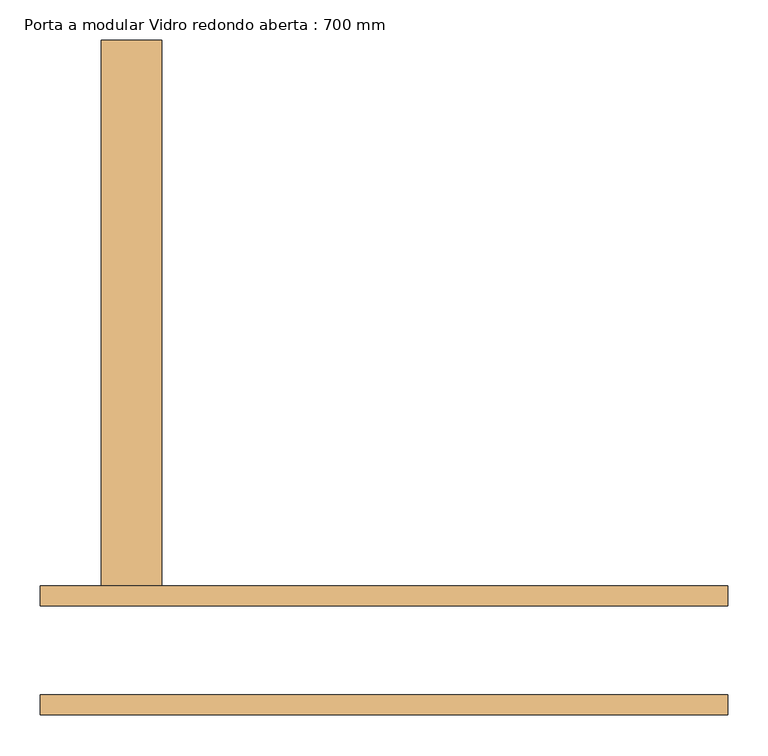
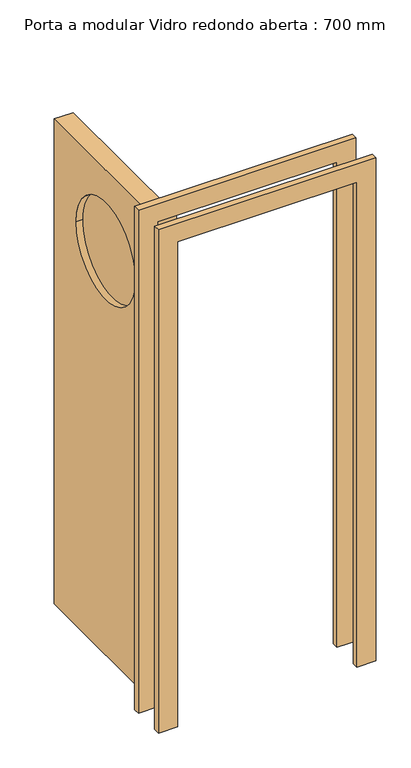
"""IFC4 building model written with IfcOpenShell, lengths in millimetres: door geometry, Porta a modular Vidro redondo aberta : 700 mm."""

from ifc_helpers import new_model, si_unit, point, frame, frame_2d, origin, place, context, project, spatial, polyline, circle_curve, trimmed, segment, composite_curve, outline, extrude, source, transform, mapped, element, save


def porta_a_modular_vidro_redondo_aberta_700_mm_20d5d4b5(model_context):
    return source(origin(), model_context, "Body", "SweptSolid", [
        extrude(outline(polyline([(2000.0, -350.0), (2000.0, 350.0), (0.0, 350.0), (0.0, 425.0), (2075.0, 425.0), (2075.0, -425.0), (0.0, -425.0), (0.0, -350.0), (2000.0, -350.0)])), frame((0.0, 55.0, 0.0), z_axis=(0.0, 1.0, 0.0), x_axis=(0.0, 0.0, 1.0)), (0.0, 0.0, 1.0), 25.0),
        extrude(outline(polyline([(2075.0, -425.0), (0.0, -425.0), (0.0, -350.0), (2000.0, -350.0), (2000.0, 350.0), (0.0, 350.0), (0.0, 425.0), (2075.0, 425.0), (2075.0, -425.0)])), frame((0.0, -80.0, 0.0), z_axis=(0.0, 1.0, 0.0), x_axis=(0.0, 0.0, 1.0)), (0.0, 0.0, 1.0), 25.0),
        extrude(outline(polyline([(55.0, 2000.0), (755.0, 2000.0), (755.0, 0.0), (55.0, 0.0), (55.0, 2000.0)]), holes=[composite_curve([segment(trimmed(circle_curve(frame_2d((405.0, 1666.6666667)), 200.0), [point((205.0, 1666.6666667))], [point((605.0, 1666.6666667))], True, "CARTESIAN"), True, "CONTINUOUS"), segment(trimmed(circle_curve(frame_2d((405.0, 1666.6666667)), 200.0), [point((605.0, 1666.6666667))], [point((205.0, 1666.6666667))], True, "CARTESIAN"), True, "CONTINUOUS")], self_intersect=False)]), frame((-350.0, 0.0, 0.0), z_axis=(1.0, 0.0, 0.0), x_axis=(0.0, 1.0, 0.0)), (0.0, 0.0, 1.0), 75.0),
        extrude(outline(composite_curve([segment(trimmed(circle_curve(frame_2d((405.0, 1666.6666667)), 200.0), [point((205.0, 1666.6666667))], [point((605.0, 1666.6666667))], False, "CARTESIAN"), True, "CONTINUOUS"), segment(trimmed(circle_curve(frame_2d((405.0, 1666.6666667)), 200.0), [point((605.0, 1666.6666667))], [point((205.0, 1666.6666667))], False, "CARTESIAN"), True, "CONTINUOUS")], self_intersect=False)), frame((-325.0, 0.0, 0.0), z_axis=(1.0, 0.0, 0.0), x_axis=(0.0, 1.0, 0.0)), (0.0, 0.0, 1.0), 25.0),
    ])


if __name__ == "__main__":
    model = new_model("IFC4")
    model_context = context("Model", 3, world=origin())
    ifc_project = project(units=[si_unit("LENGTHUNIT", "METRE", prefix="MILLI")], contexts=[model_context])
    site = spatial("IfcSite", under=ifc_project)
    building = spatial("IfcBuilding", under=site)
    placement = place(None, origin())
    porta_a_modular_vidro_redondo_aberta_700_mm_shape = porta_a_modular_vidro_redondo_aberta_700_mm_20d5d4b5(model_context)
    element("IfcDoor", 1, ObjectType="Porta a modular Vidro redondo aberta : 700 mm", at=placement, inside=building, context=model_context, shape_type="MappedRepresentation", body=[
        mapped(porta_a_modular_vidro_redondo_aberta_700_mm_shape, transform((0.0, 0.0, 0.0), x_axis=(1.0, 0.0, 0.0), y_axis=(0.0, 1.0, 0.0), z_axis=(0.0, 0.0, 1.0))),
    ])
    save(model, "model.ifc")
